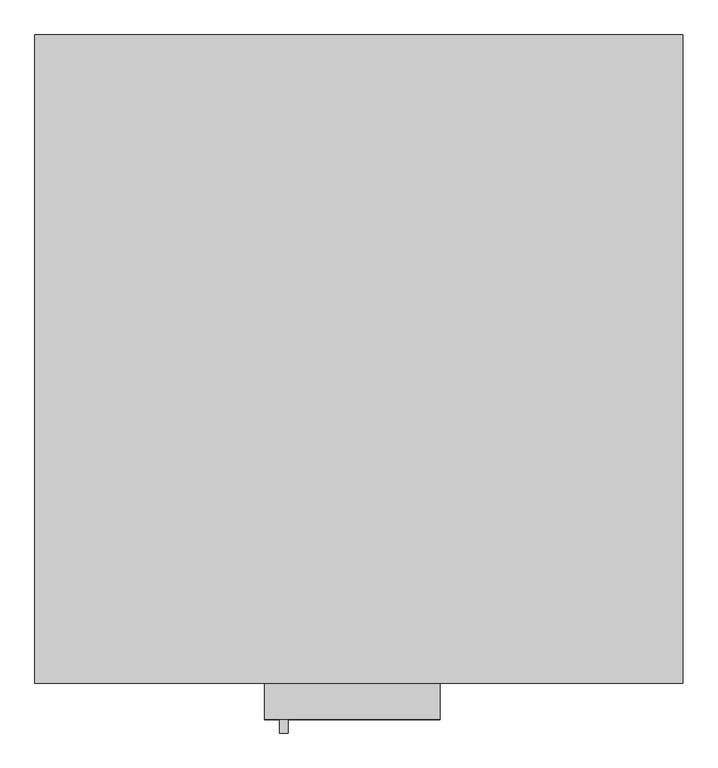
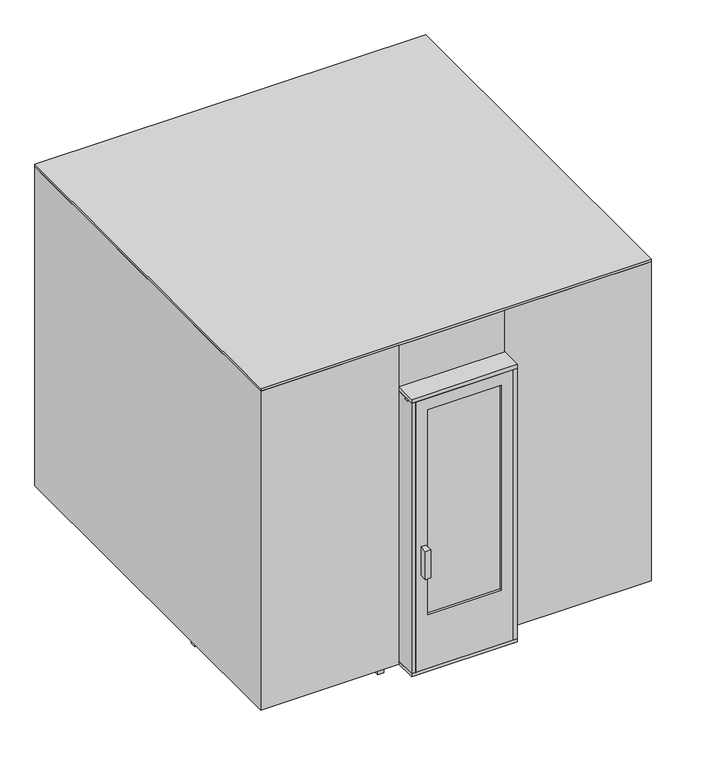
"""IFC4 building model written with IfcOpenShell, lengths in millimetres: proxy geometry."""

from ifc_helpers import new_model, si_unit, frame, origin, origin_with_axes, place, context, project, spatial, polyline, outline, extrude, faceted_brep, source, transform, mapped, element, save


def specialty_equipment_f584a97f(model_context):
    return source(origin(), model_context, "Body", "SolidModel", [
        extrude(outline(polyline([(-298.4476025, -1355.725), (-266.6976025, -1355.725), (-266.6976025, -1406.525), (-298.4476025, -1406.525), (-298.4476025, -1355.725)])), frame((0.0, 0.0, 690.6515052), z_axis=(0.0, 0.0, 1.0), x_axis=(1.0, 0.0, 0.0)), (0.0, 0.0, 1.0), 184.15),
        extrude(outline(polyline([(304.8, -1201.7375), (304.8, -1355.725), (-355.6, -1355.725), (-355.6, -1201.7375), (304.8, -1201.7375)])), frame((0.0, 0.0, 38.1), z_axis=(0.0, 0.0, 1.0), x_axis=(1.0, 0.0, 0.0)), (0.0, 0.0, 1.0), 19.05),
        extrude(outline(polyline([(304.8, -1289.05), (304.8, -1311.275), (-355.6, -1311.275), (-355.6, -1289.05), (304.8, -1289.05)])), frame((0.0, 0.0, 1828.8), z_axis=(0.0, 0.0, 1.0), x_axis=(1.0, 0.0, 0.0)), (0.0, 0.0, 1.0), 12.7),
        extrude(outline(polyline([(-1355.725, 1841.5), (-1355.725, 1866.9), (-1201.7375, 1866.9), (-1201.7375, 1885.95), (-1189.0375, 1885.95), (-1189.0375, 1854.2), (-1201.7375, 1854.2), (-1201.7375, 1841.5), (-1355.725, 1841.5)])), frame((-355.6, 0.0, 0.0), z_axis=(1.0, 0.0, 0.0), x_axis=(0.0, 1.0, 0.0)), (0.0, 0.0, 1.0), 660.4),
        faceted_brep([(-374.65, -1201.7375, 38.1), (-374.65, -1189.0375, 38.1), (-330.2, -1189.0375, 38.1), (-330.2, -1355.725, 38.1), (-355.6, -1355.725, 38.1), (-355.6, -1201.7375, 38.1), (-374.65, -1189.0375, 1885.95), (-374.65, -1201.7375, 1885.95), (-355.6, -1189.0375, 1885.95), (-355.6, -1189.0375, 1841.5), (-330.2, -1189.0375, 1841.5), (-330.2, -1355.725, 1841.5), (-355.6, -1355.725, 1841.5), (-355.6, -1201.7375, 1841.5), (-355.6, -1201.7375, 1885.95)], [[[0, 1, 2, 3, 4, 5]], [[6, 1, 0, 7]], [[2, 1, 6, 8, 9, 10]], [[10, 11, 3, 2]], [[11, 12, 4, 3]], [[12, 13, 5, 4]], [[0, 5, 13, 14, 7]], [[13, 12, 11, 10, 9]], [[9, 8, 14, 13]], [[8, 6, 7, 14]]]),
        faceted_brep([(323.85, -1201.7375, 38.1), (304.8, -1201.7375, 38.1), (304.8, -1355.725, 38.1), (279.4, -1355.725, 38.1), (279.4, -1189.0375, 38.1), (323.85, -1189.0375, 38.1), (279.4, -1189.0375, 1841.5), (304.8, -1189.0375, 1841.5), (304.8, -1189.0375, 1885.95), (323.85, -1189.0375, 1885.95), (323.85, -1201.7375, 1885.95), (304.8, -1201.7375, 1885.95), (304.8, -1201.7375, 1841.5), (304.8, -1355.725, 1841.5), (279.4, -1355.725, 1841.5)], [[[0, 1, 2, 3, 4, 5]], [[5, 4, 6, 7, 8, 9]], [[10, 11, 12, 1, 0]], [[12, 13, 2, 1]], [[13, 14, 3, 2]], [[14, 6, 4, 3]], [[10, 0, 5, 9]], [[6, 14, 13, 12, 7]], [[9, 8, 11, 10]], [[8, 7, 12, 11]]]),
        extrude(outline(polyline([(-254.0, -1327.15), (203.2, -1327.15), (203.2, -1339.85), (-254.0, -1339.85), (-254.0, -1327.15)])), frame((0.0, 0.0, 412.75), z_axis=(0.0, 0.0, 1.0), x_axis=(1.0, 0.0, 0.0)), (0.0, 0.0, 1.0), 1352.55),
        extrude(outline(polyline([(57.15, -330.2), (57.15, 279.4), (1841.5, 279.4), (1841.5, -330.2), (57.15, -330.2)]), holes=[polyline([(412.75, -254.0), (1765.3, -254.0), (1765.3, 203.2), (412.75, 203.2), (412.75, -254.0)])]), frame((0.0, -1355.725, 0.0), z_axis=(0.0, 1.0, 0.0), x_axis=(0.0, 0.0, 1.0)), (0.0, 0.0, 1.0), 44.45),
        extrude(outline(polyline([(-311.15, -1311.275), (-330.2, -1311.275), (-330.2, -1289.05), (-311.15, -1289.05), (-311.15, -1311.275)])), frame((0.0, 0.0, 38.1), z_axis=(0.0, 0.0, 1.0), x_axis=(1.0, 0.0, 0.0)), (0.0, 0.0, 1.0), 1828.8),
        extrude(outline(polyline([(260.35, -1311.275), (260.35, -1289.05), (279.4, -1289.05), (279.4, -1311.275), (260.35, -1311.275)])), frame((0.0, 0.0, 38.1), z_axis=(0.0, 0.0, 1.0), x_axis=(1.0, 0.0, 0.0)), (0.0, 0.0, 1.0), 1828.8),
        extrude(outline(polyline([(-620.7125, -693.7375), (-620.7125, -1125.5375), (-1125.5375, -1125.5375), (-1125.5375, -693.7375), (-620.7125, -693.7375)])), origin_with_axes(), (0.0, 0.0, 1.0), 698.5),
        extrude(outline(polyline([(-439.7375, -1201.7375), (-477.8375, -1201.7375), (-477.8375, -477.8375), (-1201.7375, -477.8375), (-1201.7375, -439.7375), (-439.7375, -439.7375), (-439.7375, -1201.7375)])), origin_with_axes(), (0.0, 0.0, 1.0), 800.1),
        extrude(outline(polyline([(457.2, 896.9375), (457.2, 855.6625), (419.1, 855.6625), (419.1, 846.1375), (457.2, 846.1375), (457.2, 808.0375), (419.1, 808.0375), (419.1, 798.5125), (457.2, 798.5125), (457.2, 760.4125), (419.1, 760.4125), (419.1, 750.8875), (457.2, 750.8875), (457.2, 712.7875), (419.1, 712.7875), (419.1, 703.2625), (457.2, 703.2625), (457.2, 665.1625), (419.1, 665.1625), (419.1, 655.6375), (457.2, 655.6375), (457.2, 617.5375), (419.1, 617.5375), (419.1, 608.0125), (457.2, 608.0125), (457.2, 569.9125), (419.1, 569.9125), (419.1, 560.3875), (457.2, 560.3875), (457.2, 522.2875), (419.1, 522.2875), (419.1, 512.7625), (457.2, 512.7625), (457.2, 474.6625), (419.1, 474.6625), (419.1, 465.1375), (457.2, 465.1375), (457.2, 388.9375), (330.2, 388.9375), (330.2, 427.0375), (342.9, 427.0375), (342.9, 896.9375), (457.2, 896.9375)])), frame((0.0, -1201.7375, 0.0), z_axis=(0.0, 1.0, 0.0), x_axis=(0.0, 0.0, 1.0)), (0.0, 0.0, 1.0), 1489.075),
        extrude(outline(polyline([(795.3375, 457.2), (795.3375, 342.9), (325.4375, 342.9), (325.4375, 330.2), (287.3375, 330.2), (287.3375, 457.2), (363.5375, 457.2), (363.5375, 419.1), (373.0625, 419.1), (373.0625, 457.2), (411.1625, 457.2), (411.1625, 419.1), (420.6875, 419.1), (420.6875, 457.2), (458.7875, 457.2), (458.7875, 419.1), (468.3125, 419.1), (468.3125, 457.2), (506.4125, 457.2), (506.4125, 419.1), (515.9375, 419.1), (515.9375, 457.2), (554.0375, 457.2), (554.0375, 419.1), (563.5625, 419.1), (563.5625, 457.2), (601.6625, 457.2), (601.6625, 419.1), (611.1875, 419.1), (611.1875, 457.2), (649.2875, 457.2), (649.2875, 419.1), (658.8125, 419.1), (658.8125, 457.2), (696.9125, 457.2), (696.9125, 419.1), (706.4375, 419.1), (706.4375, 457.2), (744.5375, 457.2), (744.5375, 419.1), (754.0625, 419.1), (754.0625, 457.2), (795.3375, 457.2)])), frame((-1201.7375, 0.0, 0.0), z_axis=(1.0, 0.0, 0.0), x_axis=(0.0, 1.0, 0.0)), (0.0, 0.0, 1.0), 2403.475),
        extrude(outline(polyline([(1201.7375, 914.4), (1201.7375, 800.1), (731.8375, 800.1), (731.8375, 787.4), (693.7375, 787.4), (693.7375, 914.4), (769.9375, 914.4), (769.9375, 876.3), (779.4625, 876.3), (779.4625, 914.4), (817.5625, 914.4), (817.5625, 876.3), (827.0875, 876.3), (827.0875, 914.4), (865.1875, 914.4), (865.1875, 876.3), (874.7125, 876.3), (874.7125, 914.4), (912.8125, 914.4), (912.8125, 876.3), (922.3375, 876.3), (922.3375, 914.4), (960.4375, 914.4), (960.4375, 876.3), (969.9625, 876.3), (969.9625, 914.4), (1008.0625, 914.4), (1008.0625, 876.3), (1017.5875, 876.3), (1017.5875, 914.4), (1055.6875, 914.4), (1055.6875, 876.3), (1065.2125, 876.3), (1065.2125, 914.4), (1103.3125, 914.4), (1103.3125, 876.3), (1112.8375, 876.3), (1112.8375, 914.4), (1150.9375, 914.4), (1150.9375, 876.3), (1160.4625, 876.3), (1160.4625, 914.4), (1201.7375, 914.4)])), frame((-1201.7375, 0.0, 0.0), z_axis=(1.0, 0.0, 0.0), x_axis=(0.0, 1.0, 0.0)), (0.0, 0.0, 1.0), 2403.475),
        extrude(outline(polyline([(914.4, 1201.7375), (914.4, 1160.4625), (876.3, 1160.4625), (876.3, 1150.9375), (914.4, 1150.9375), (914.4, 1112.8375), (876.3, 1112.8375), (876.3, 1103.3125), (914.4, 1103.3125), (914.4, 1065.2125), (876.3, 1065.2125), (876.3, 1055.6875), (914.4, 1055.6875), (914.4, 1017.5875), (876.3, 1017.5875), (876.3, 1008.0625), (914.4, 1008.0625), (914.4, 969.9625), (876.3, 969.9625), (876.3, 960.4375), (914.4, 960.4375), (914.4, 922.3375), (876.3, 922.3375), (876.3, 912.8125), (914.4, 912.8125), (914.4, 874.7125), (876.3, 874.7125), (876.3, 865.1875), (914.4, 865.1875), (914.4, 827.0875), (876.3, 827.0875), (876.3, 817.5625), (914.4, 817.5625), (914.4, 779.4625), (876.3, 779.4625), (876.3, 769.9375), (914.4, 769.9375), (914.4, 693.7375), (787.4, 693.7375), (787.4, 731.8375), (800.1, 731.8375), (800.1, 1201.7375), (914.4, 1201.7375)])), frame((0.0, -1201.7375, 0.0), z_axis=(0.0, 1.0, 0.0), x_axis=(0.0, 0.0, 1.0)), (0.0, 0.0, 1.0), 1895.475),
        extrude(outline(polyline([(-355.6, -1201.7375), (-355.6, -1219.2), (-1219.2, -1219.2), (-1219.2, 1219.2), (1219.2, 1219.2), (1219.2, -1219.2), (304.8, -1219.2), (304.8, -1201.7375), (1201.7375, -1201.7375), (1201.7375, 1201.7375), (-1201.7375, 1201.7375), (-1201.7375, -1201.7375), (-355.6, -1201.7375)])), frame((0.0, 0.0, 38.1), z_axis=(0.0, 0.0, 1.0), x_axis=(1.0, 0.0, 0.0)), (0.0, 0.0, 1.0), 2103.4375),
        extrude(outline(polyline([(1219.2, 1219.2), (1219.2, -1219.2), (-1219.2, -1219.2), (-1219.2, 1219.2), (1219.2, 1219.2)])), frame((0.0, 0.0, 2141.5375), z_axis=(0.0, 0.0, 1.0), x_axis=(1.0, 0.0, 0.0)), (0.0, 0.0, 1.0), 17.4625),
        extrude(outline(polyline([(304.8, -1201.7375), (304.8, -1219.2), (-355.6, -1219.2), (-355.6, -1201.7375), (304.8, -1201.7375)])), frame((0.0, 0.0, 1866.9), z_axis=(0.0, 0.0, 1.0), x_axis=(1.0, 0.0, 0.0)), (0.0, 0.0, 1.0), 274.6375),
    ])


if __name__ == "__main__":
    model = new_model("IFC4")
    model_context = context("Model", 3, world=origin())
    ifc_project = project(units=[si_unit("LENGTHUNIT", "METRE", prefix="MILLI")], contexts=[model_context])
    site = spatial("IfcSite", under=ifc_project)
    building = spatial("IfcBuilding", under=site)
    placement = place(None, origin())
    specialty_equipment_shape = specialty_equipment_f584a97f(model_context)
    element("IfcBuildingElementProxy", 1, Name="Specialty Equipment", at=placement, inside=building, context=model_context, shape_type="MappedRepresentation", body=[
        mapped(specialty_equipment_shape, transform((0.0, 0.0, 0.0), x_axis=(1.0, 0.0, 0.0), y_axis=(0.0, 1.0, 0.0), z_axis=(0.0, 0.0, 1.0))),
    ])
    save(model, "model.ifc")
